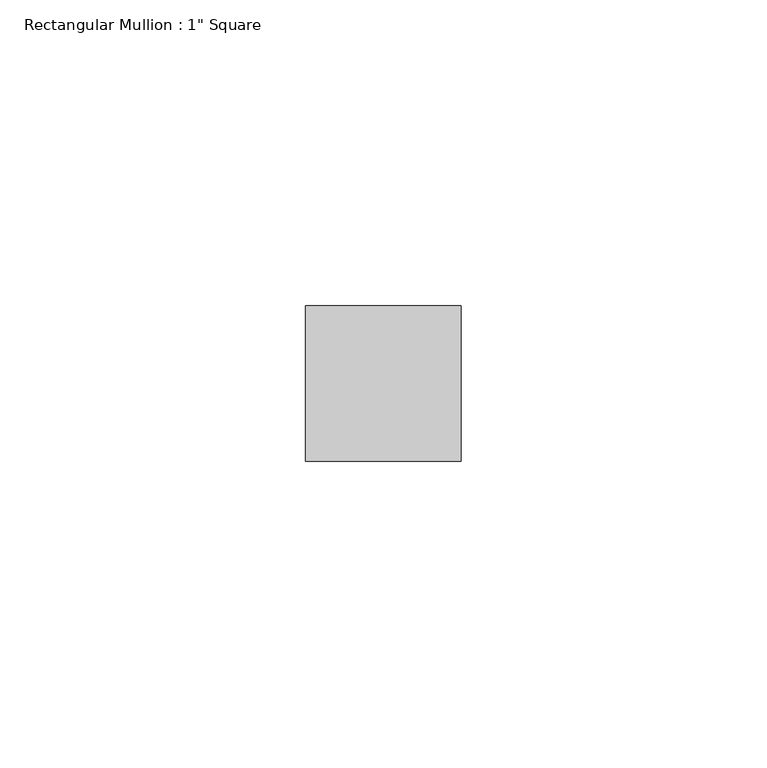
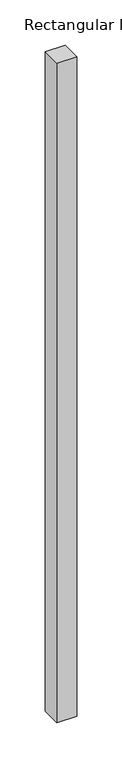
"""IFC4 building model written with IfcOpenShell, lengths in millimetres: member geometry."""

from ifc_helpers import new_model, si_unit, frame, origin, place, context, project, spatial, polyline, outline, extrude, source, transform, mapped, element, save


def member_a1514425(model_context):
    return source(origin(), model_context, "Body", "SweptSolid", [
        extrude(outline(polyline([(0.0, 12.7), (0.0, -12.7), (-25.4, -12.7), (-25.4, 12.7), (0.0, 12.7)])), frame((0.0, 0.0, -889.0), z_axis=(0.0, 0.0, 1.0), x_axis=(1.0, 0.0, 0.0)), (0.0, 0.0, 1.0), 889.0),
    ])


if __name__ == "__main__":
    model = new_model("IFC4")
    model_context = context("Model", 3, world=origin())
    ifc_project = project(units=[si_unit("LENGTHUNIT", "METRE", prefix="MILLI")], contexts=[model_context])
    site = spatial("IfcSite", under=ifc_project)
    building = spatial("IfcBuilding", under=site)
    placement = place(None, origin())
    member_shape = member_a1514425(model_context)
    element("IfcMember", 1, ObjectType="Rectangular Mullion : 1\" Square", at=placement, inside=building, context=model_context, shape_type="MappedRepresentation", body=[
        mapped(member_shape, transform((0.0, 0.0, 0.0), x_axis=(1.0, 0.0, 0.0), y_axis=(0.0, 1.0, 0.0), z_axis=(0.0, 0.0, 1.0))),
    ])
    save(model, "model.ifc")
